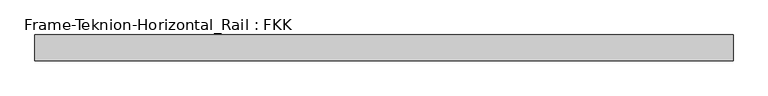
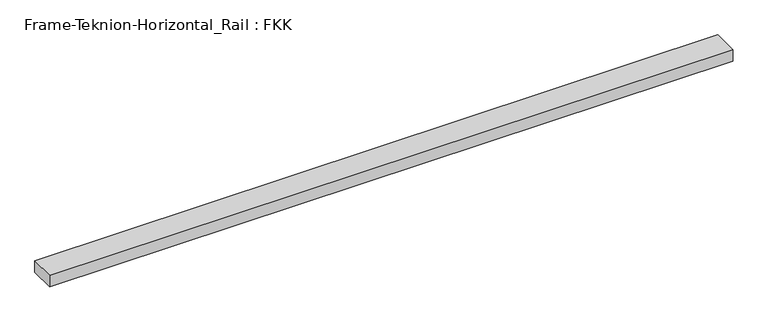
"""IFC4 building model written with IfcOpenShell, lengths in millimetres: proxy geometry, Frame-Teknion-Horizontal_Rail : FKK."""

from ifc_helpers import new_model, si_unit, frame, origin, place, context, project, spatial, polyline, outline, extrude, source, transform, mapped, element, save


def frame_teknion_horizontal_rail_fkk_9ef1d2c1(model_context):
    return source(origin(), model_context, "Body", "SweptSolid", [
        extrude(outline(polyline([(-784.8203125, -29.2199219), (-784.8203125, 29.2199219), (784.8203125, 29.2199219), (784.8203125, -29.2199219), (-784.8203125, -29.2199219)])), frame((0.0, 0.0, -13.9898438), z_axis=(0.0, 0.0, 1.0), x_axis=(1.0, 0.0, 0.0)), (0.0, 0.0, 1.0), 27.9796875),
    ])


if __name__ == "__main__":
    model = new_model("IFC4")
    model_context = context("Model", 3, world=origin())
    ifc_project = project(units=[si_unit("LENGTHUNIT", "METRE", prefix="MILLI")], contexts=[model_context])
    site = spatial("IfcSite", under=ifc_project)
    building = spatial("IfcBuilding", under=site)
    placement = place(None, origin())
    frame_teknion_horizontal_rail_fkk_shape = frame_teknion_horizontal_rail_fkk_9ef1d2c1(model_context)
    element("IfcBuildingElementProxy", 1, Name="Frame-Teknion-Horizontal_Rail : FKK", ObjectType="Frame-Teknion-Horizontal_Rail : FKK", at=placement, inside=building, context=model_context, shape_type="MappedRepresentation", body=[
        mapped(frame_teknion_horizontal_rail_fkk_shape, transform((0.0, 0.0, 0.0), x_axis=(1.0, 0.0, 0.0), y_axis=(0.0, 1.0, 0.0), z_axis=(0.0, 0.0, 1.0))),
    ])
    save(model, "model.ifc")
